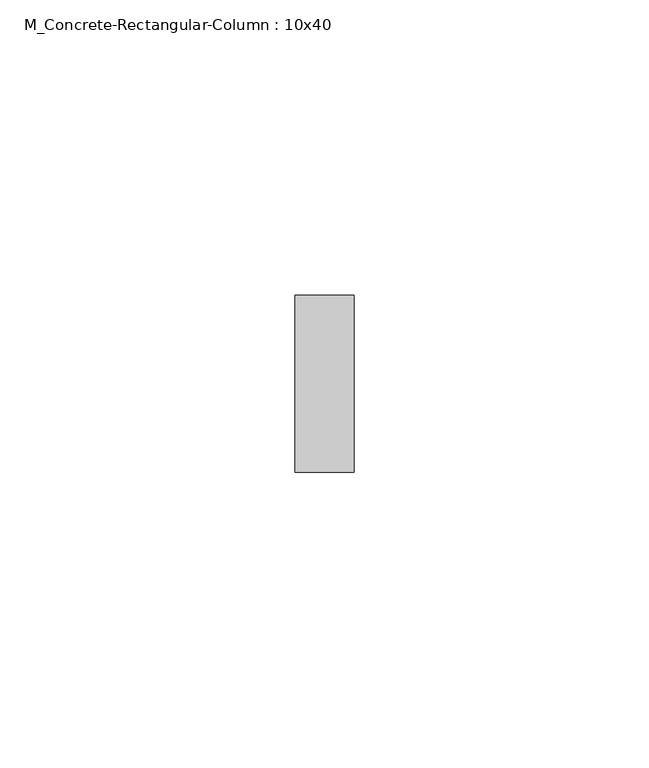
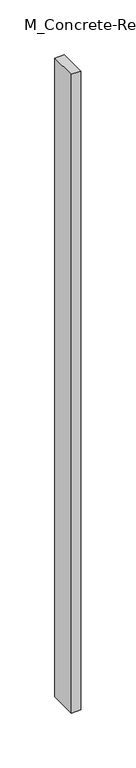
"""IFC4 building model written with IfcOpenShell, lengths in millimetres: column geometry, M_Concrete-Rectangular-Column : 10x40."""

from ifc_helpers import new_model, si_unit, origin, origin_with_axes, place, context, project, spatial, polyline, outline, extrude, source, transform, mapped, element, save


def m_concrete_rectangular_column_10x40_940cb97c(model_context):
    return source(origin(), model_context, "Body", "SweptSolid", [
        extrude(outline(polyline([(5.0, 15.0), (5.0, -15.0), (-5.0, -15.0), (-5.0, 15.0), (5.0, 15.0)])), origin_with_axes(), (0.0, 0.0, 1.0), 710.0),
    ])


if __name__ == "__main__":
    model = new_model("IFC4")
    model_context = context("Model", 3, world=origin())
    ifc_project = project(units=[si_unit("LENGTHUNIT", "METRE", prefix="MILLI")], contexts=[model_context])
    site = spatial("IfcSite", under=ifc_project)
    building = spatial("IfcBuilding", under=site)
    placement = place(None, origin())
    m_concrete_rectangular_column_10x40_shape = m_concrete_rectangular_column_10x40_940cb97c(model_context)
    element("IfcColumn", 1, ObjectType="M_Concrete-Rectangular-Column : 10x40", at=placement, inside=building, context=model_context, shape_type="MappedRepresentation", body=[
        mapped(m_concrete_rectangular_column_10x40_shape, transform((0.0, 0.0, 0.0), x_axis=(1.0, 0.0, 0.0), y_axis=(0.0, 1.0, 0.0), z_axis=(0.0, 0.0, 1.0))),
    ])
    save(model, "model.ifc")
